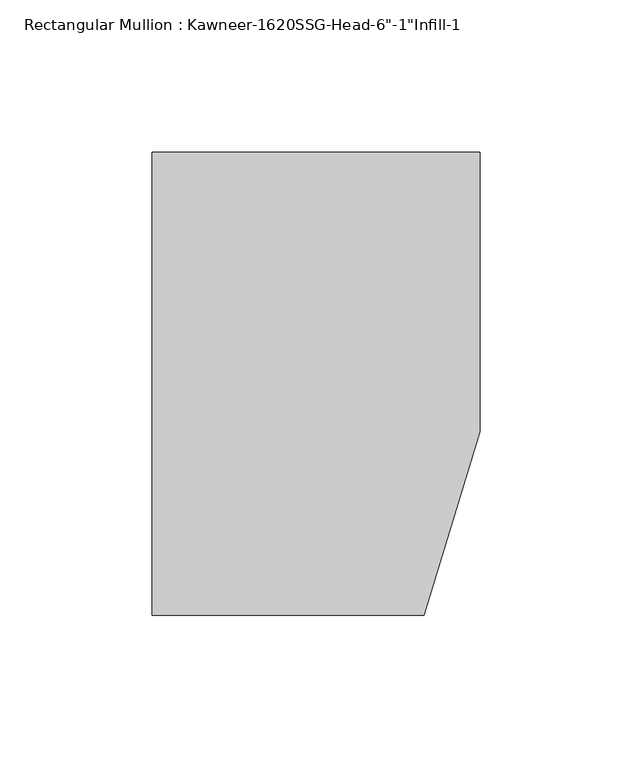
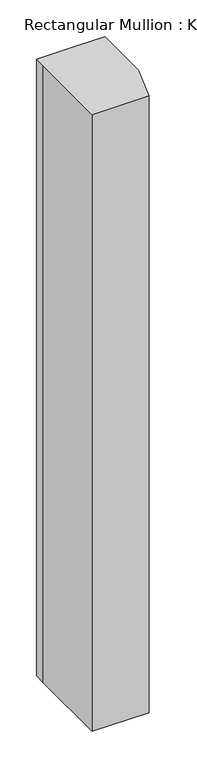
"""IFC4 building model written with IfcOpenShell, lengths in millimetres: member geometry."""

from ifc_helpers import new_model, si_unit, frame, origin, place, context, project, spatial, polyline, outline, extrude, source, transform, mapped, element, save


def member_94381f75(model_context):
    return source(origin(), model_context, "Body", "SweptSolid", [
        extrude(outline(polyline([(-107.95, 19.9095466), (-107.95, 38.1), (-44.1519366, 38.1), (0.0, 38.1), (0.0, -53.975), (-18.3538271, -114.3), (-107.95, -114.3), (-107.95, 19.9095466)])), frame((0.0, 0.0, -1028.7), z_axis=(0.0, 0.0, 1.0), x_axis=(1.0, 0.0, 0.0)), (0.0, 0.0, 1.0), 1028.7),
    ])


if __name__ == "__main__":
    model = new_model("IFC4")
    model_context = context("Model", 3, world=origin())
    ifc_project = project(units=[si_unit("LENGTHUNIT", "METRE", prefix="MILLI")], contexts=[model_context])
    site = spatial("IfcSite", under=ifc_project)
    building = spatial("IfcBuilding", under=site)
    placement = place(None, origin())
    member_shape = member_94381f75(model_context)
    element("IfcMember", 1, ObjectType="Rectangular Mullion : Kawneer-1620SSG-Head-6\"-1\"Infill-1", at=placement, inside=building, context=model_context, shape_type="MappedRepresentation", body=[
        mapped(member_shape, transform((0.0, 0.0, 0.0), x_axis=(1.0, 0.0, 0.0), y_axis=(0.0, 1.0, 0.0), z_axis=(0.0, 0.0, 1.0))),
    ])
    save(model, "model.ifc")
